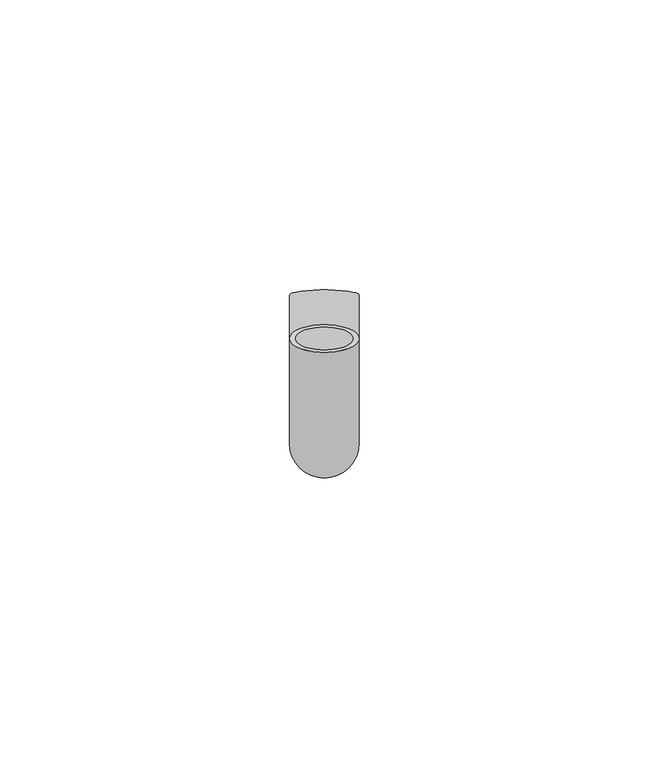
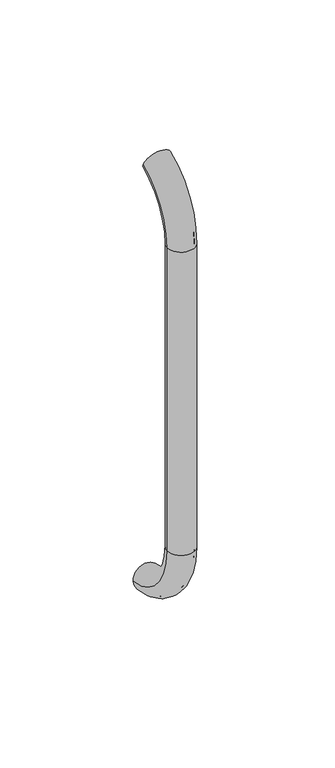
"""IFC4 building model written with IfcOpenShell, lengths in millimetres: beam geometry."""

from ifc_helpers import new_model, si_unit, point, frame, origin, place, context, project, spatial, polyline, circle_curve, ellipse_curve, trimmed, source, transform, mapped, element, save
from ifc_brep_helpers import plane_surface, cylinder_surface, revolved_surface, advanced_brep


def beam_8162a39e(model_context):
    return source(origin(), model_context, "Body", "AdvancedBrep", [
        advanced_brep(
        [(5861.372509, 2444.0395554, 1993.7787656), (5873.372509, 2444.0395554, 1993.7787656), (5862.372509, 2444.0395554, 1993.7787656), (5872.372509, 2444.0395554, 1993.7787656), (5872.372509, 2425.9629385, 1966.25), (5862.372509, 2425.9629385, 1966.25), (5873.372509, 2425.9629385, 1966.25), (5861.372509, 2425.9629385, 1966.25), (5862.372509, 2425.9629385, 1826.25), (5872.372509, 2425.9629385, 1826.25), (5861.372509, 2425.9629385, 1826.25), (5873.372509, 2425.9629385, 1826.25), (5861.372509, 2451.5825147, 1796.5715249), (5873.372509, 2451.5825147, 1796.5715249), (5862.372509, 2451.5825147, 1796.5715249), (5872.372509, 2451.5825147, 1796.5715249)],
        [
            (0, 1, circle_curve(frame((5867.372509, 2444.0395554, 1993.7787656), z_axis=(0.0, 0.9176255197351176, 0.3974461039321624), x_axis=(1.0, 0.0, 0.0)), 6.0)),
            (1, 0, circle_curve(frame((5867.372509, 2444.0395554, 1993.7787656), z_axis=(0.0, 0.9176255197351176, 0.3974461039321624), x_axis=(1.0, 0.0, 0.0)), 6.0)),
            (2, 3, circle_curve(frame((5867.372509, 2444.0395554, 1993.7787656), z_axis=(0.0, -0.9176255197351176, -0.3974461039321624), x_axis=(1.0, 0.0, 0.0)), 5.0)),
            (3, 2, circle_curve(frame((5867.372509, 2444.0395554, 1993.7787656), z_axis=(0.0, -0.9176255197351176, -0.3974461039321624), x_axis=(1.0, 0.0, 0.0)), 5.0)),
            (4, 3, circle_curve(frame((5872.372509, 2455.9629385, 1966.25), z_axis=(-1.0, 0.0, 0.0), x_axis=(0.0, -0.3974461039321624, 0.9176255197351176)), 30.0)),
            (2, 5, circle_curve(frame((5862.372509, 2455.9629385, 1966.25), z_axis=(1.0, 0.0, 0.0), x_axis=(0.0, -0.3974461039321624, 0.9176255197351176)), 30.0)),
            (5, 4, circle_curve(frame((5867.372509, 2425.9629385, 1966.25), z_axis=(0.0, 0.0, -1.0), x_axis=(1.0, 0.0, 0.0)), 5.0)),
            (4, 5, circle_curve(frame((5867.372509, 2425.9629385, 1966.25), z_axis=(0.0, 0.0, -1.0), x_axis=(1.0, 0.0, 0.0)), 5.0)),
            (6, 1, circle_curve(frame((5873.372509, 2455.9629385, 1966.25), z_axis=(-1.0, 0.0, 0.0), x_axis=(0.0, -0.3974461039321624, 0.9176255197351176)), 30.0)),
            (0, 7, circle_curve(frame((5861.372509, 2455.9629385, 1966.25), z_axis=(1.0, 0.0, 0.0), x_axis=(0.0, -0.3974461039321624, 0.9176255197351176)), 30.0)),
            (7, 6, circle_curve(frame((5867.372509, 2425.9629385, 1966.25), z_axis=(0.0, 0.0, 1.0), x_axis=(1.0, 0.0, 0.0)), 6.0)),
            (6, 7, circle_curve(frame((5867.372509, 2425.9629385, 1966.25), z_axis=(0.0, 0.0, 1.0), x_axis=(1.0, 0.0, 0.0)), 6.0)),
            (5, 8),
            (8, 9, circle_curve(frame((5867.372509, 2425.9629385, 1826.25), z_axis=(0.0, 0.0, -1.0), x_axis=(1.0, 0.0, 0.0)), 5.0)),
            (9, 4),
            (9, 8, circle_curve(frame((5867.372509, 2425.9629385, 1826.25), z_axis=(0.0, 0.0, -1.0), x_axis=(1.0, 0.0, 0.0)), 5.0)),
            (7, 10),
            (10, 11, circle_curve(frame((5867.372509, 2425.9629385, 1826.25), z_axis=(0.0, 0.0, 1.0), x_axis=(1.0, 0.0, 0.0)), 6.0)),
            (11, 6),
            (11, 10, circle_curve(frame((5867.372509, 2425.9629385, 1826.25), z_axis=(0.0, 0.0, 1.0), x_axis=(1.0, 0.0, 0.0)), 6.0)),
            (12, 13, circle_curve(frame((5867.372509, 2451.5825147, 1796.5715249), z_axis=(0.0, 0.9892825047438852, -0.14601412879466394), x_axis=(1.0, 0.0, 0.0)), 6.0)),
            (13, 12, circle_curve(frame((5867.372509, 2451.5825147, 1796.5715249), z_axis=(0.0, 0.9892825047438852, -0.14601412879466394), x_axis=(1.0, 0.0, 0.0)), 6.0)),
            (14, 15, circle_curve(frame((5867.372509, 2451.5825147, 1796.5715249), z_axis=(0.0, -0.9892825047438852, 0.14601412879466394), x_axis=(1.0, 0.0, 0.0)), 5.0)),
            (15, 14, circle_curve(frame((5867.372509, 2451.5825147, 1796.5715249), z_axis=(0.0, -0.9892825047438852, 0.14601412879466394), x_axis=(1.0, 0.0, 0.0)), 5.0)),
            (15, 9, circle_curve(frame((5872.372509, 2455.9629385, 1826.25), z_axis=(-1.0, 0.0, 0.0), x_axis=(0.0, -1.0, 0.0)), 30.0)),
            (8, 14, circle_curve(frame((5862.372509, 2455.9629385, 1826.25), z_axis=(1.0, 0.0, 0.0), x_axis=(0.0, -1.0, 0.0)), 30.0)),
            (13, 11, circle_curve(frame((5873.372509, 2455.9629385, 1826.25), z_axis=(-1.0, 0.0, 0.0), x_axis=(0.0, -1.0, 0.0)), 30.0)),
            (10, 12, circle_curve(frame((5861.372509, 2455.9629385, 1826.25), z_axis=(1.0, 0.0, 0.0), x_axis=(0.0, -1.0, 0.0)), 30.0)),
        ],
        [
            plane_surface(frame((5867.372509, 2444.0395554, 1993.7787656), z_axis=(0.0, 0.9176255197351176, 0.3974461039321624), x_axis=(1.0, 0.0, 0.0))),
            revolved_surface(trimmed(ellipse_curve(frame((5867.372509, 2444.0395554, 1993.7787656), z_axis=(0.0, -0.9176255197351176, -0.3974461039321624), x_axis=(1.0, 0.0, 0.0)), 5.0, 5.0), [point((5862.372509, 2444.0395554, 1993.7787656))], [point((5872.372509, 2444.0395554, 1993.7787656))], True, "CARTESIAN"), (5867.372509, 2455.9629385, 1966.25), (1.0, 0.0, 0.0)),
            revolved_surface(trimmed(ellipse_curve(frame((5867.372509, 2444.0395554, 1993.7787656), z_axis=(0.0, -0.9176255197351176, -0.3974461039321624), x_axis=(1.0, 0.0, 0.0)), 5.0, 5.0), [point((5872.372509, 2444.0395554, 1993.7787656))], [point((5862.372509, 2444.0395554, 1993.7787656))], True, "CARTESIAN"), (5867.372509, 2455.9629385, 1966.25), (1.0, 0.0, 0.0)),
            revolved_surface(trimmed(ellipse_curve(frame((5867.372509, 2444.0395554, 1993.7787656), z_axis=(0.0, 0.9176255197351176, 0.3974461039321624), x_axis=(1.0, 0.0, 0.0)), 6.0, 6.0), [point((5861.372509, 2444.0395554, 1993.7787656))], [point((5873.372509, 2444.0395554, 1993.7787656))], True, "CARTESIAN"), (5867.372509, 2455.9629385, 1966.25), (1.0, 0.0, 0.0)),
            revolved_surface(trimmed(ellipse_curve(frame((5867.372509, 2444.0395554, 1993.7787656), z_axis=(0.0, 0.9176255197351176, 0.3974461039321624), x_axis=(1.0, 0.0, 0.0)), 6.0, 6.0), [point((5873.372509, 2444.0395554, 1993.7787656))], [point((5861.372509, 2444.0395554, 1993.7787656))], True, "CARTESIAN"), (5867.372509, 2455.9629385, 1966.25), (1.0, 0.0, 0.0)),
            revolved_surface(polyline([(5872.372509, 2425.9629385, 1826.25), (5872.372509, 2425.9629385, 1966.25)]), (5867.372509, 2425.9629385, 1966.25), (0.0, 0.0, -1.0)),
            cylinder_surface(frame((5867.372509, 2425.9629385, 1966.25), z_axis=(0.0, 0.0, 1.0), x_axis=(1.0, 0.0, 0.0)), 6.0),
            plane_surface(frame((5867.372509, 2451.5825147, 1796.5715249), z_axis=(0.0, 0.9892825047438852, -0.14601412879466397), x_axis=(1.0, 0.0, 0.0))),
            revolved_surface(trimmed(ellipse_curve(frame((5867.372509, 2425.9629385, 1826.25), z_axis=(0.0, 0.0, -1.0), x_axis=(1.0, 0.0, 0.0)), 5.0, 5.0), [point((5862.372509, 2425.9629385, 1826.25))], [point((5872.372509, 2425.9629385, 1826.25))], True, "CARTESIAN"), (5867.372509, 2455.9629385, 1826.25), (1.0, 0.0, 0.0)),
            revolved_surface(trimmed(ellipse_curve(frame((5867.372509, 2425.9629385, 1826.25), z_axis=(0.0, 0.0, -1.0), x_axis=(1.0, 0.0, 0.0)), 5.0, 5.0), [point((5872.372509, 2425.9629385, 1826.25))], [point((5862.372509, 2425.9629385, 1826.25))], True, "CARTESIAN"), (5867.372509, 2455.9629385, 1826.25), (1.0, 0.0, 0.0)),
            revolved_surface(trimmed(ellipse_curve(frame((5867.372509, 2425.9629385, 1826.25), z_axis=(0.0, 0.0, 1.0), x_axis=(1.0, 0.0, 0.0)), 6.0, 6.0), [point((5861.372509, 2425.9629385, 1826.25))], [point((5873.372509, 2425.9629385, 1826.25))], True, "CARTESIAN"), (5867.372509, 2455.9629385, 1826.25), (1.0, 0.0, 0.0)),
            revolved_surface(trimmed(ellipse_curve(frame((5867.372509, 2425.9629385, 1826.25), z_axis=(0.0, 0.0, 1.0), x_axis=(1.0, 0.0, 0.0)), 6.0, 6.0), [point((5873.372509, 2425.9629385, 1826.25))], [point((5861.372509, 2425.9629385, 1826.25))], True, "CARTESIAN"), (5867.372509, 2455.9629385, 1826.25), (1.0, 0.0, 0.0)),
        ],
        [
            (0, [[1, 2], [3, 4]]),
            (1, [[5, -3, 6, 7]]),
            (2, [[-6, -4, -5, 8]]),
            (3, [[9, -1, 10, 11]]),
            (4, [[-10, -2, -9, 12]]),
            (5, [[-7, 13, 14, 15]]),
            (5, [[-8, -15, 16, -13]]),
            (6, [[-11, 17, 18, 19]]),
            (6, [[-12, -19, 20, -17]]),
            (7, [[21, 22], [23, 24]]),
            (8, [[25, -14, 26, -24]]),
            (9, [[-26, -16, -25, -23]]),
            (10, [[27, -18, 28, -22]]),
            (11, [[-28, -20, -27, -21]]),
        ],
    ),
    ])


if __name__ == "__main__":
    model = new_model("IFC4")
    model_context = context("Model", 3, world=origin())
    ifc_project = project(units=[si_unit("LENGTHUNIT", "METRE", prefix="MILLI")], contexts=[model_context])
    site = spatial("IfcSite", under=ifc_project)
    building = spatial("IfcBuilding", under=site)
    placement = place(None, origin())
    beam_shape = beam_8162a39e(model_context)
    element("IfcBeam", 1, at=placement, inside=building, context=model_context, shape_type="MappedRepresentation", body=[
        mapped(beam_shape, transform((0.0, 0.0, 0.0), x_axis=(1.0, 0.0, 0.0), y_axis=(0.0, 1.0, 0.0), z_axis=(0.0, 0.0, 1.0))),
    ])
    save(model, "model.ifc")
